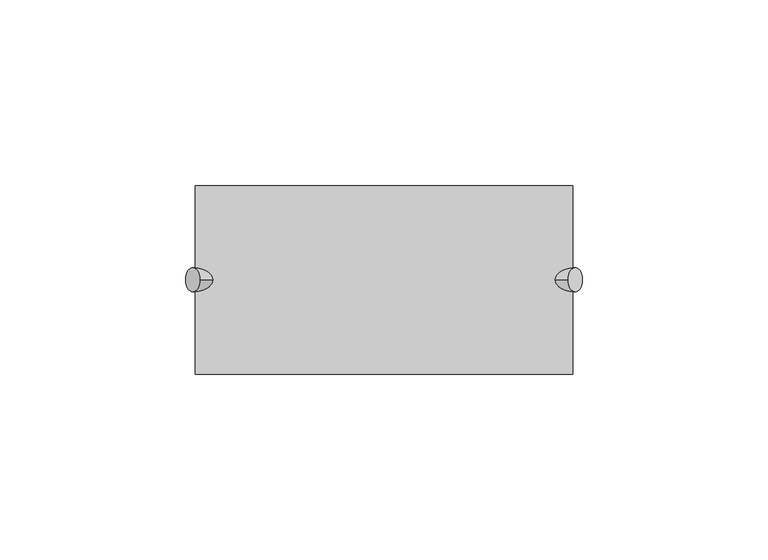
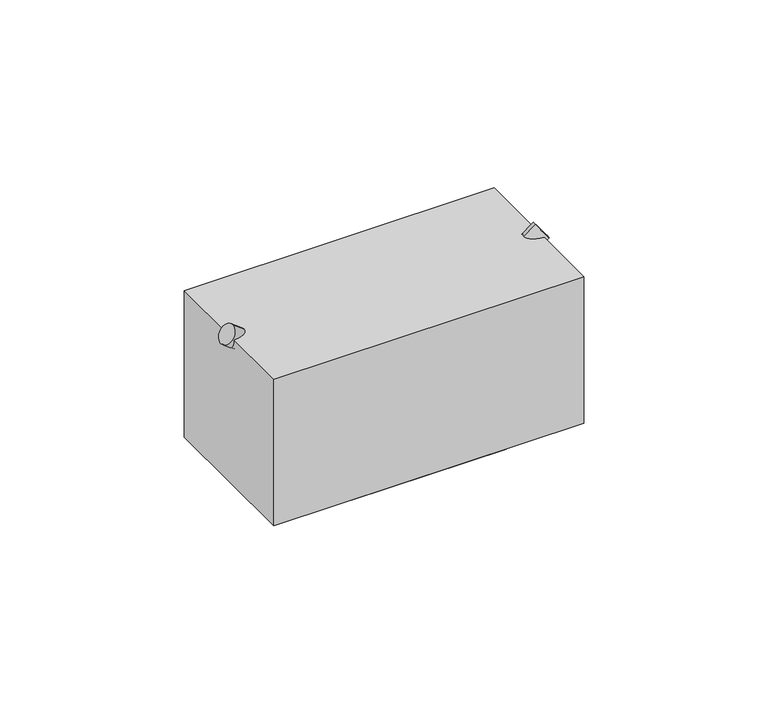
"""IFC4 building model written with IfcOpenShell, lengths in millimetres: proxy geometry."""

from ifc_helpers import new_model, si_unit, frame, origin, origin_with_axes, place, context, project, spatial, polyline, circle_curve, ellipse_curve, outline, extrude, source, transform, mapped, element, save
from ifc_brep_helpers import plane_surface, cylinder_surface, advanced_brep


def specialty_equipment_dbff7740(model_context):
    return source(origin(), model_context, "Body", "SolidModel", [
        extrude(outline(polyline([(50.8, -25.4), (-50.8, -25.4), (-50.8, 25.4), (50.8, 25.4), (50.8, -25.4)])), origin_with_axes(), (0.0, 0.0, 1.0), 50.8),
        advanced_brep(
        [(-53.475253, 0.0, 48.7696452), (-49.5999303, 0.0, 53.9367422), (0.0, 0.0, 16.7367945), (0.0, 3.2294356, 12.7), (-5.3823927, 0.0, 12.7), (0.0, -3.2294356, 12.7), (53.475253, 0.0, 48.7696452), (49.5999303, 0.0, 53.9367422), (5.3823927, 0.0, 12.7), (-25.4, 25.4, 12.7), (-25.4, -25.4, 12.7), (25.4, -25.4, 12.7), (25.4, 25.4, 12.7), (-25.4, 25.4, 0.0), (25.4, 25.4, 0.0), (25.4, -25.4, 0.0), (-25.4, -25.4, 0.0)],
        [
            (0, 1, circle_curve(frame((-51.5375917, 0.0, 51.3531937), z_axis=(-0.7999999999999928, 0.0, 0.6000000000000097), x_axis=(0.6000000000000097, 0.0, 0.7999999999999928)), 3.2294356)),
            (1, 0, circle_curve(frame((-51.5375917, 0.0, 51.3531937), z_axis=(-0.7999999999999928, 0.0, 0.6000000000000097), x_axis=(0.6000000000000097, 0.0, 0.7999999999999928)), 3.2294356)),
            (1, 2),
            (2, 3, ellipse_curve(frame((0.0, 0.0, 12.7), z_axis=(-0.9999999999999999, 0.0, 0.0), x_axis=(0.0, 0.0, 1.0)), 4.0367945, 3.2294356)),
            (3, 4, ellipse_curve(frame((0.0, 0.0, 12.7), z_axis=(0.0, 0.0, 1.0), x_axis=(-0.9999999999999999, 0.0, 0.0)), 5.3823927, 3.2294356)),
            (4, 0),
            (4, 5, ellipse_curve(frame((0.0, 0.0, 12.7), z_axis=(0.0, 0.0, 1.0), x_axis=(-0.9999999999999999, 0.0, 0.0)), 5.3823927, 3.2294356)),
            (5, 2, ellipse_curve(frame((0.0, 0.0, 12.7), z_axis=(-0.9999999999999999, 0.0, 0.0), x_axis=(0.0, 0.0, 1.0)), 4.0367945, 3.2294356)),
            (6, 7, circle_curve(frame((51.5375917, 0.0, 51.3531937), z_axis=(0.7999999999999928, 0.0, 0.6000000000000097), x_axis=(-0.6000000000000097, 0.0, 0.7999999999999928)), 3.2294356)),
            (7, 6, circle_curve(frame((51.5375917, 0.0, 51.3531937), z_axis=(0.7999999999999928, 0.0, 0.6000000000000097), x_axis=(-0.6000000000000097, 0.0, 0.7999999999999928)), 3.2294356)),
            (6, 8),
            (8, 3, ellipse_curve(frame((0.0, 0.0, 12.7), z_axis=(0.0, 0.0, 1.0), x_axis=(0.9999999999999999, 0.0, 0.0)), 5.3823927, 3.2294356)),
            (2, 7),
            (5, 8, ellipse_curve(frame((0.0, 0.0, 12.7), z_axis=(0.0, 0.0, 1.0), x_axis=(0.9999999999999999, 0.0, 0.0)), 5.3823927, 3.2294356)),
            (9, 10),
            (10, 11),
            (11, 12),
            (12, 9),
            (13, 14),
            (14, 15),
            (15, 16),
            (16, 13),
            (9, 13),
            (16, 10),
            (15, 11),
            (14, 12),
        ],
        [
            plane_surface(frame((-49.5999303, 0.0, 53.9367422), z_axis=(-0.7999999999999927, 0.0, 0.6000000000000097), x_axis=(0.0, -1.0, 0.0))),
            cylinder_surface(frame((0.0, 0.0, 12.7), z_axis=(-0.7999999999999928, 0.0, 0.6000000000000097), x_axis=(0.6000000000000097, 0.0, 0.7999999999999928)), 3.2294356),
            plane_surface(frame((49.5999303, 0.0, 53.9367422), z_axis=(0.7999999999999927, 0.0, 0.6000000000000097), x_axis=(0.0, 1.0, 0.0))),
            cylinder_surface(frame((0.0, 0.0, 12.7), z_axis=(0.7999999999999928, 0.0, 0.6000000000000097), x_axis=(-0.6000000000000097, 0.0, 0.7999999999999928)), 3.2294356),
            plane_surface(frame((25.4, 25.4, 12.7), z_axis=(0.0, 0.0, 1.0), x_axis=(1.0, 0.0, 0.0))),
            plane_surface(frame((25.4, 25.4, 0.0), z_axis=(0.0, 0.0, -1.0), x_axis=(-1.0, 0.0, 0.0))),
            plane_surface(frame((-25.4, -25.4, 12.7), z_axis=(-1.0, 0.0, 0.0), x_axis=(0.0, 0.0, -1.0))),
            plane_surface(frame((25.4, -25.4, 12.7), z_axis=(0.0, -1.0, 0.0), x_axis=(0.0, 0.0, -1.0))),
            plane_surface(frame((25.4, 25.4, 12.7), z_axis=(1.0, 0.0, 0.0), x_axis=(0.0, 0.0, -1.0))),
            plane_surface(frame((-25.4, 25.4, 12.7), z_axis=(0.0, 1.0, 0.0), x_axis=(0.0, 0.0, -1.0))),
        ],
        [
            (0, [[1, 2]]),
            (1, [[3, 4, 5, 6, -2]]),
            (1, [[-6, 7, 8, -3, -1]]),
            (2, [[9, 10]]),
            (3, [[11, 12, -4, 13, -9]]),
            (3, [[-13, -8, 14, -11, -10]]),
            (4, [[15, 16, 17, 18], [-12, -14, -7, -5]]),
            (5, [[19, 20, 21, 22]]),
            (6, [[23, -22, 24, -15]]),
            (7, [[-24, -21, 25, -16]]),
            (8, [[-25, -20, 26, -17]]),
            (9, [[-26, -19, -23, -18]]),
        ],
    ),
    ])


if __name__ == "__main__":
    model = new_model("IFC4")
    model_context = context("Model", 3, world=origin())
    ifc_project = project(units=[si_unit("LENGTHUNIT", "METRE", prefix="MILLI")], contexts=[model_context])
    site = spatial("IfcSite", under=ifc_project)
    building = spatial("IfcBuilding", under=site)
    placement = place(None, origin())
    specialty_equipment_shape = specialty_equipment_dbff7740(model_context)
    element("IfcBuildingElementProxy", 1, Name="Specialty Equipment", at=placement, inside=building, context=model_context, shape_type="MappedRepresentation", body=[
        mapped(specialty_equipment_shape, transform((0.0, 0.0, 0.0), x_axis=(1.0, 0.0, 0.0), y_axis=(0.0, 1.0, 0.0), z_axis=(0.0, 0.0, 1.0))),
    ])
    save(model, "model.ifc")
